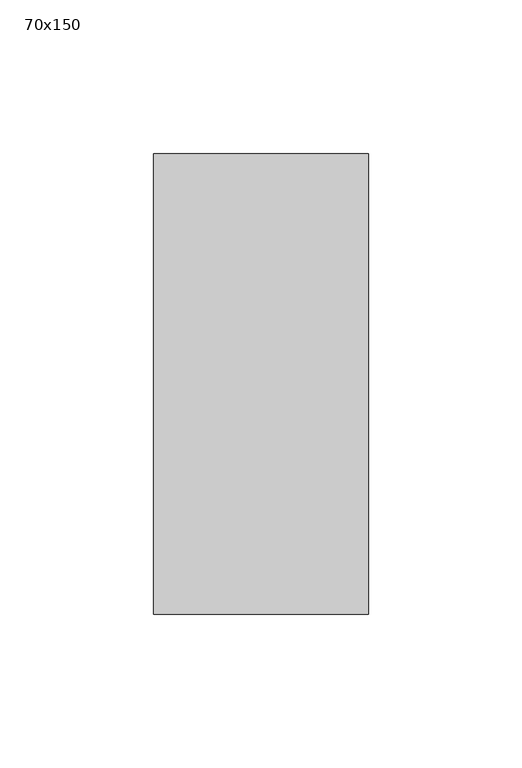
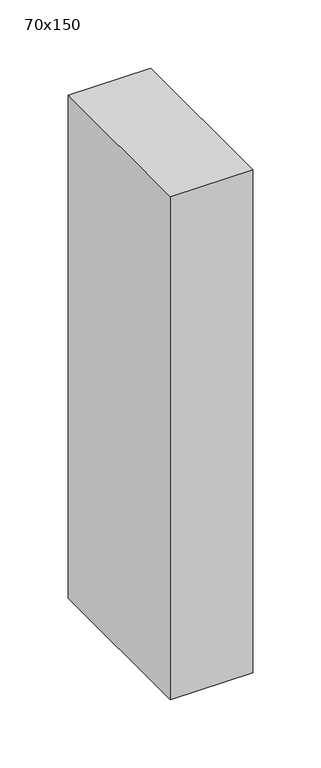
"""IFC4 building model written with IfcOpenShell, lengths in millimetres: member geometry, 70x150."""

from ifc_helpers import new_model, si_unit, frame, origin, place, context, project, spatial, polyline, outline, extrude, source, transform, mapped, element, save


def member_70x150_87b27eb4(model_context):
    return source(origin(), model_context, "Body", "SweptSolid", [
        extrude(outline(polyline([(35.0, 75.0), (35.0, -75.0), (-35.0, -75.0), (-35.0, 75.0), (35.0, 75.0)])), frame((0.0, 0.0, -451.131963), z_axis=(0.0, 0.0, 1.0), x_axis=(1.0, 0.0, 0.0)), (0.0, 0.0, 1.0), 451.131963),
    ])


if __name__ == "__main__":
    model = new_model("IFC4")
    model_context = context("Model", 3, world=origin())
    ifc_project = project(units=[si_unit("LENGTHUNIT", "METRE", prefix="MILLI")], contexts=[model_context])
    site = spatial("IfcSite", under=ifc_project)
    building = spatial("IfcBuilding", under=site)
    placement = place(None, origin())
    member_70x150_shape = member_70x150_87b27eb4(model_context)
    element("IfcMember", 1, ObjectType="70x150", at=placement, inside=building, context=model_context, shape_type="MappedRepresentation", body=[
        mapped(member_70x150_shape, transform((0.0, 0.0, 0.0), x_axis=(1.0, 0.0, 0.0), y_axis=(0.0, 1.0, 0.0), z_axis=(0.0, 0.0, 1.0))),
    ])
    save(model, "model.ifc")
